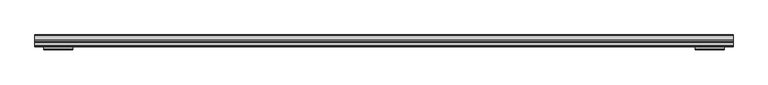
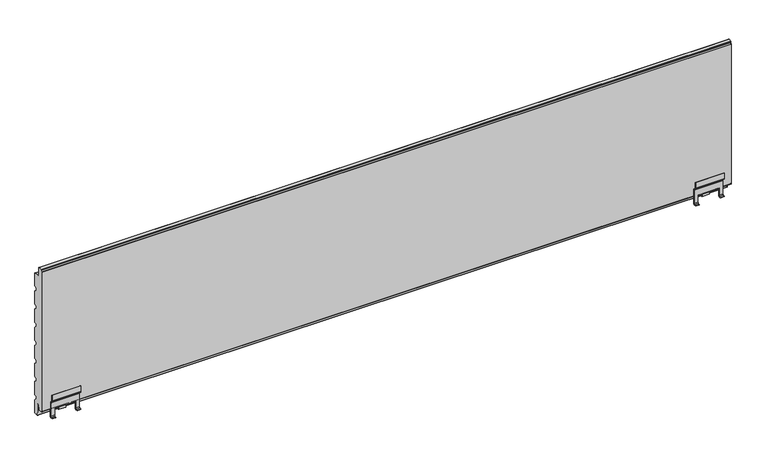
"""IFC4 building model written with IfcOpenShell, lengths in millimetres: plate geometry."""

from ifc_helpers import new_model, si_unit, point, frame, frame_2d, origin, place, context, project, spatial, polyline, circle_curve, trimmed, segment, composite_curve, outline, extrude, source, transform, mapped, element, save
from ifc_brep_helpers import plane_surface, cylinder_surface, revolved_surface, advanced_brep


def plate_e4cdf02b(model_context):
    return source(origin(), model_context, "Body", "SolidModel", [
        advanced_brep(
        [(877.0, 133.5, 63.0774925), (877.0, 132.0, 63.0774925), (877.0, 132.0, 48.0759196), (877.0, 133.0251263, 45.6010459), (877.0, 137.9142136, 40.7119586), (877.0, 138.5, 39.2977451), (877.0, 138.5, 1.7962326), (877.0, 136.5, -0.2037674), (877.0, 132.0000052, -0.2037674), (877.0, 132.0000052, -1.7037674), (877.0, 136.5, -1.7037674), (877.0, 140.0, 1.7962326), (877.0, 140.0, 39.2977451), (877.0, 138.9748737, 41.7726188), (877.0, 134.0857864, 46.6617061), (877.0, 133.5, 48.0759196), (801.9999948, 133.5, 63.0774925), (801.9999948, 133.5, 48.0759196), (801.9999948, 134.0857864, 46.6617061), (801.9999948, 138.9748737, 41.7726188), (801.9999948, 140.0, 39.2977451), (801.9999948, 140.0, 1.7962326), (801.9999948, 136.5, -1.7037674), (801.9999948, 132.0000052, -1.7037674), (801.9999948, 132.0000052, -0.2037674), (801.9999948, 136.5, -0.2037674), (801.9999948, 138.5, 1.7962326), (801.9999948, 138.5, 39.2977451), (801.9999948, 137.9142136, 40.7119586), (801.9999948, 133.0251263, 45.6010459), (801.9999948, 132.0, 48.0759196), (801.9999948, 132.0, 63.0774925), (811.9999948, 138.5, 1.7962326), (811.9999948, 138.5, 21.4957532), (813.4999948, 138.5, 21.4957532), (865.4999948, 138.5, 21.5007983), (866.9999948, 138.5, 21.4957532), (866.9999948, 138.5, 1.7962326), (866.9999948, 136.5, -0.2037674), (811.9999948, 136.5, -0.2037674), (866.9999948, 132.0000052, -0.2037674), (811.9999948, 132.0000052, -0.2037674), (866.9999948, 132.0000052, -1.7037674), (811.9999948, 132.0000052, -1.7037674), (866.9999948, 136.5, -1.7037674), (811.9999948, 136.5, -1.7037674), (866.9999948, 140.0, 1.7962326), (811.9999948, 140.0, 1.7962326), (866.9999948, 140.0, 21.4957532), (865.4999948, 140.0, 21.4957532), (813.4999948, 140.0, 21.5007983), (811.9999948, 140.0, 21.4957532), (865.4999948, 142.0, 19.5007983), (865.4999948, 139.9736841, 18.6470212), (865.4999948, 142.0, 18.0007983), (865.4999948, 150.5069508, 18.0007983), (865.4999948, 152.2536916, 18.4678301), (865.4999948, 153.9952504, 21.1957532), (865.4999948, 155.2506896, 31.8246532), (865.4999948, 153.7617614, 32.0007983), (865.4999948, 152.4938373, 21.2661979), (865.4999948, 150.5076443, 19.5007983), (813.4999948, 142.0, 19.5007983), (813.4999948, 150.5076443, 19.5007983), (813.4999948, 152.4938373, 21.2661979), (813.4999948, 153.7617614, 32.0007983), (813.4999948, 155.2506896, 31.8246532), (813.4999948, 153.9952504, 21.1957532), (813.4999948, 152.2536916, 18.4678301), (813.4999948, 150.5069508, 18.0007983), (813.4999948, 147.9501547, 18.0007983), (813.4999948, 142.0, 18.0007983), (813.4999948, 140.0, 18.628517), (829.9999948, 150.5069508, 18.0007983), (848.9999948, 150.5069508, 18.0007983), (829.9999948, 152.2536916, 18.4678301), (848.9999948, 152.2536916, 18.4678301), (848.9999948, 151.2000052, 3.0007983), (829.9999948, 151.2000052, 3.0007983), (848.9999948, 152.6965553, 2.8991234), (829.9999948, 152.6965553, 2.8991234), (848.9999948, 153.9952504, 21.1957532), (829.9999948, 153.9952504, 21.1957532), (829.9999948, 155.2506896, 31.8246532), (848.9999948, 155.2506896, 31.8246532)],
        [
            (0, 1),
            (1, 2),
            (2, 3, circle_curve(frame((877.0, 135.5, 48.0759196), z_axis=(1.0, 0.0, 0.0), x_axis=(0.0, 1.0, 0.0)), 3.5)),
            (3, 4),
            (4, 5, circle_curve(frame((877.0, 136.5, 39.2977451), z_axis=(-1.0, 0.0, 0.0), x_axis=(0.0, 1.0, 0.0)), 2.0)),
            (5, 6),
            (6, 7, circle_curve(frame((877.0, 136.5, 1.7962326), z_axis=(-1.0, 0.0, 0.0), x_axis=(0.0, 1.0, 0.0)), 2.0)),
            (7, 8),
            (8, 9),
            (9, 10),
            (10, 11, circle_curve(frame((877.0, 136.5, 1.7962326), z_axis=(1.0, 0.0, 0.0), x_axis=(0.0, 1.0, 0.0)), 3.5)),
            (11, 12),
            (12, 13, circle_curve(frame((877.0, 136.5, 39.2977451), z_axis=(1.0, 0.0, 0.0), x_axis=(0.0, 1.0, 0.0)), 3.5)),
            (13, 14),
            (14, 15, circle_curve(frame((877.0, 135.5, 48.0759196), z_axis=(-1.0, 0.0, 0.0), x_axis=(0.0, 1.0, 0.0)), 2.0)),
            (15, 0),
            (16, 17),
            (17, 18, circle_curve(frame((801.9999948, 135.5, 48.0759196), z_axis=(1.0, 0.0, 0.0), x_axis=(0.0, 1.0, 0.0)), 2.0)),
            (18, 19),
            (19, 20, circle_curve(frame((801.9999948, 136.5, 39.2977451), z_axis=(-1.0, 0.0, 0.0), x_axis=(0.0, 1.0, 0.0)), 3.5)),
            (20, 21),
            (21, 22, circle_curve(frame((801.9999948, 136.5, 1.7962326), z_axis=(-1.0, 0.0, 0.0), x_axis=(0.0, 1.0, 0.0)), 3.5)),
            (22, 23),
            (23, 24),
            (24, 25),
            (25, 26, circle_curve(frame((801.9999948, 136.5, 1.7962326), z_axis=(1.0, 0.0, 0.0), x_axis=(0.0, 1.0, 0.0)), 2.0)),
            (26, 27),
            (27, 28, circle_curve(frame((801.9999948, 136.5, 39.2977451), z_axis=(1.0, 0.0, 0.0), x_axis=(0.0, 1.0, 0.0)), 2.0)),
            (28, 29),
            (29, 30, circle_curve(frame((801.9999948, 135.5, 48.0759196), z_axis=(-1.0, 0.0, 0.0), x_axis=(0.0, 1.0, 0.0)), 3.5)),
            (30, 31),
            (31, 16),
            (0, 16),
            (31, 1),
            (30, 2),
            (29, 3),
            (28, 4),
            (27, 5),
            (26, 32),
            (32, 33),
            (33, 34),
            (34, 35),
            (35, 36),
            (36, 37),
            (37, 6),
            (37, 38, circle_curve(frame((866.9999948, 136.5, 1.7962326), z_axis=(-1.0, 0.0, 0.0), x_axis=(0.0, 1.0, 0.0)), 2.0)),
            (38, 7),
            (25, 39),
            (39, 32, circle_curve(frame((811.9999948, 136.5, 1.7962326), z_axis=(1.0, 0.0, 0.0), x_axis=(0.0, 1.0, 0.0)), 2.0)),
            (38, 40),
            (40, 8),
            (24, 41),
            (41, 39),
            (40, 42),
            (42, 9),
            (23, 43),
            (43, 41),
            (42, 44),
            (44, 10),
            (22, 45),
            (45, 43),
            (44, 46, circle_curve(frame((866.9999948, 136.5, 1.7962326), z_axis=(1.0, 0.0, 0.0), x_axis=(0.0, 1.0, 0.0)), 3.5)),
            (46, 11),
            (21, 47),
            (47, 45, circle_curve(frame((811.9999948, 136.5, 1.7962326), z_axis=(-1.0, 0.0, 0.0), x_axis=(0.0, 1.0, 0.0)), 3.5)),
            (46, 48),
            (48, 49),
            (49, 50),
            (50, 51),
            (51, 47),
            (20, 12),
            (19, 13),
            (18, 14),
            (17, 15),
            (36, 48),
            (51, 33),
            (35, 49),
            (50, 34),
            (52, 49, circle_curve(frame((865.4999948, 142.0, 21.5007983), z_axis=(-1.0, 0.0, 0.0), x_axis=(0.0, 1.0, 0.0)), 2.0)),
            (35, 53, circle_curve(frame((865.4999948, 142.0, 21.5007983), z_axis=(1.0, 0.0, 0.0), x_axis=(0.0, 1.0, 0.0)), 3.5)),
            (53, 54, circle_curve(frame((865.4999948, 142.0, 21.5007983), z_axis=(1.0, 0.0, 0.0), x_axis=(0.0, 1.0, 0.0)), 3.5)),
            (54, 55),
            (55, 56, circle_curve(frame((865.4999948, 150.5069508, 21.5007983), z_axis=(1.0, 0.0, 0.0), x_axis=(0.0, 1.0, 0.0)), 3.5)),
            (56, 57, circle_curve(frame((865.4999948, 150.502195, 21.5059032), z_axis=(1.0, 0.0, 0.0), x_axis=(0.0, 1.0, 0.0)), 3.5067975)),
            (57, 58),
            (58, 59),
            (59, 60),
            (60, 61, circle_curve(frame((865.4999948, 150.5076443, 21.5007983), z_axis=(-1.0, 0.0, 0.0), x_axis=(0.0, 1.0, 0.0)), 2.0)),
            (61, 52),
            (62, 63),
            (63, 64, circle_curve(frame((813.4999948, 150.5076443, 21.5007983), z_axis=(1.0, 0.0, 0.0), x_axis=(0.0, 1.0, 0.0)), 2.0)),
            (64, 65),
            (65, 66),
            (66, 67),
            (67, 68, circle_curve(frame((813.4999948, 150.502195, 21.5059032), z_axis=(-1.0, 0.0, 0.0), x_axis=(0.0, 1.0, 0.0)), 3.5067975)),
            (68, 69, circle_curve(frame((813.4999948, 150.5069508, 21.5007983), z_axis=(-1.0, 0.0, 0.0), x_axis=(0.0, 1.0, 0.0)), 3.5)),
            (69, 70),
            (70, 71),
            (71, 72, circle_curve(frame((813.4999948, 142.0, 21.5007983), z_axis=(-1.0, 0.0, 0.0), x_axis=(0.0, 1.0, 0.0)), 3.5)),
            (72, 34, circle_curve(frame((813.4999948, 142.0, 21.5007983), z_axis=(-1.0, 0.0, 0.0), x_axis=(0.0, 1.0, 0.0)), 3.5)),
            (50, 62, circle_curve(frame((813.4999948, 142.0, 21.5007983), z_axis=(1.0, 0.0, 0.0), x_axis=(0.0, 1.0, 0.0)), 2.0)),
            (52, 62),
            (72, 53),
            (71, 54),
            (69, 73),
            (73, 74),
            (74, 55),
            (68, 75),
            (75, 76),
            (76, 56),
            (77, 76),
            (75, 78),
            (78, 77),
            (79, 77),
            (78, 80),
            (80, 79),
            (81, 79),
            (80, 82),
            (82, 81),
            (57, 81),
            (82, 67),
            (66, 83),
            (83, 84),
            (84, 58),
            (65, 59),
            (64, 60),
            (63, 61),
            (81, 76, circle_curve(frame((848.9999948, 150.502195, 21.5059032), z_axis=(-1.0, 0.0, 0.0), x_axis=(0.0, 1.0, 0.0)), 3.5067975)),
            (75, 82, circle_curve(frame((829.9999948, 150.502195, 21.5059032), z_axis=(1.0, 0.0, 0.0), x_axis=(0.0, 1.0, 0.0)), 3.5067975)),
        ],
        [
            plane_surface(frame((877.0, 132.0, 63.7916669), z_axis=(1.0, 0.0, 0.0), x_axis=(0.0, 1.0, 0.0))),
            plane_surface(frame((801.9999948, 132.0, 63.7916669), z_axis=(-1.0, 0.0, 0.0), x_axis=(0.0, 1.0, 0.0))),
            plane_surface(frame((877.0, 133.5, 63.0774925), z_axis=(0.0, 0.0, 1.0), x_axis=(-1.0, 0.0, 0.0))),
            plane_surface(frame((877.0, 132.0, 63.0774925), z_axis=(0.0, -1.0, 0.0), x_axis=(-1.0, 0.0, 0.0))),
            cylinder_surface(frame((877.0, 135.5, 48.0759196), z_axis=(1.0, 0.0, 0.0), x_axis=(0.0, 1.0, 0.0)), 3.5),
            plane_surface(frame((877.0, 133.0251263, 45.6010459), z_axis=(0.0, -0.7071067811823375, -0.7071067811907575), x_axis=(-1.0, 0.0, 0.0))),
            revolved_surface(polyline([(801.9999948, 138.5, 39.2977451), (877.0, 138.5, 39.2977451)]), (877.0, 136.5, 39.2977451), (-1.0, 0.0, 0.0)),
            plane_surface(frame((877.0, 138.5, 39.2977451), z_axis=(0.0, -1.0, 0.0), x_axis=(-1.0, 0.0, 0.0))),
            revolved_surface(polyline([(866.9999948, 138.5, 1.7962326), (877.0, 138.5, 1.7962326)]), (877.0, 136.5, 1.7962326), (-1.0, 0.0, 0.0)),
            revolved_surface(polyline([(801.9999948, 138.5, 1.7962326), (811.9999948, 138.5, 1.7962326)]), (877.0, 136.5, 1.7962326), (-1.0, 0.0, 0.0)),
            plane_surface(frame((877.0, 136.5, -0.2037674), z_axis=(0.0, 0.0, 1.0), x_axis=(-1.0, 0.0, 0.0))),
            plane_surface(frame((877.0, 132.0000052, -0.2037674), z_axis=(0.0, -1.0, 0.0), x_axis=(-1.0, 0.0, 0.0))),
            plane_surface(frame((877.0, 132.0000052, -1.7037674), z_axis=(0.0, 0.0, -1.0), x_axis=(-1.0, 0.0, 0.0))),
            cylinder_surface(frame((877.0, 136.5, 1.7962326), z_axis=(1.0, 0.0, 0.0), x_axis=(0.0, 1.0, 0.0)), 3.5),
            plane_surface(frame((877.0, 140.0, 1.7962326), z_axis=(0.0, 1.0, 0.0), x_axis=(-1.0, 0.0, 0.0))),
            cylinder_surface(frame((877.0, 136.5, 39.2977451), z_axis=(1.0, 0.0, 0.0), x_axis=(0.0, 1.0, 0.0)), 3.5),
            plane_surface(frame((877.0, 138.9748737, 41.7726188), z_axis=(0.0, 0.707106781190757, 0.707106781182338), x_axis=(-1.0, 0.0, 0.0))),
            revolved_surface(polyline([(801.9999948, 137.5, 48.0759196), (877.0, 137.5, 48.0759196)]), (877.0, 135.5, 48.0759196), (-1.0, 0.0, 0.0)),
            plane_surface(frame((877.0, 133.5, 48.0759196), z_axis=(0.0, 1.0, 0.0), x_axis=(-1.0, 0.0, 0.0))),
            plane_surface(frame((866.9999948, 140.0, 21.4957532), z_axis=(-1.0, 0.0, 0.0), x_axis=(0.0, -1.0, 0.0))),
            plane_surface(frame((811.9999948, 140.0, -2.7083331), z_axis=(1.0, 0.0, 0.0), x_axis=(0.0, -1.0, 0.0))),
            plane_surface(frame((811.9999948, 140.0, 21.4957532), z_axis=(0.0, 0.0, -1.0), x_axis=(0.0, -1.0, 0.0))),
            plane_surface(frame((865.4999948, 132.0, 32.4962326), z_axis=(1.0, 0.0, 0.0), x_axis=(0.0, 1.0, 0.0))),
            plane_surface(frame((813.4999948, 132.0, 32.4962326), z_axis=(-1.0, 0.0, 0.0), x_axis=(0.0, 1.0, 0.0))),
            revolved_surface(polyline([(813.4999948, 144.0, 21.5007983), (865.4999948, 144.0, 21.5007983)]), (865.4999948, 142.0, 21.5007983), (-1.0, 0.0, 0.0)),
            cylinder_surface(frame((865.4999948, 142.0, 21.5007983), z_axis=(1.0, 0.0, 0.0), x_axis=(0.0, 1.0, 0.0)), 3.5),
            plane_surface(frame((865.4999948, 142.0, 18.0007983), z_axis=(0.0, 0.0, -1.0), x_axis=(-1.0, 0.0, 0.0))),
            cylinder_surface(frame((865.4999948, 150.5069508, 21.5007983), z_axis=(1.0, 0.0, 0.0), x_axis=(0.0, 1.0, 0.0)), 3.5),
            plane_surface(frame((865.4999948, 152.2536916, 18.4678301), z_axis=(0.0, -0.9976875606869263, 0.06796713360566971), x_axis=(-1.0, 0.0, 0.0))),
            plane_surface(frame((865.4999948, 151.2000052, 3.0007983), z_axis=(0.0, -0.06778329456574599, -0.9977000676444867), x_axis=(-1.0, 0.0, 0.0))),
            plane_surface(frame((865.4999948, 152.6965553, 2.8991234), z_axis=(0.0, 0.9974903975436773, -0.07080188421332127), x_axis=(-1.0, 0.0, 0.0))),
            plane_surface(frame((865.4999948, 154.500471, 25.4730922), z_axis=(0.0, 0.9930964999268389, -0.11730022094208546), x_axis=(-1.0, 0.0, 0.0))),
            plane_surface(frame((865.4999948, 155.2506896, 31.8246532), z_axis=(0.0, 0.11748400802588121, 0.9930747745553579), x_axis=(-1.0, 0.0, 0.0))),
            plane_surface(frame((865.4999948, 153.7617614, 32.0007983), z_axis=(0.0, -0.9930964999255651, 0.1173002209528698), x_axis=(-1.0, 0.0, 0.0))),
            revolved_surface(polyline([(813.4999948, 152.5076443, 21.5007983), (865.4999948, 152.5076443, 21.5007983)]), (865.4999948, 150.5076443, 21.5007983), (-1.0, 0.0, 0.0)),
            plane_surface(frame((865.4999948, 150.5076443, 19.5007983), z_axis=(0.0, 0.0, 1.0), x_axis=(-1.0, 0.0, 0.0))),
            plane_surface(frame((848.9999948, 154.0089925, 21.5059032), z_axis=(1.0, 0.0, 0.0), x_axis=(0.0, 0.0, 1.0))),
            cylinder_surface(frame((865.4999948, 150.502195, 21.5059032), z_axis=(1.0, 0.0, 0.0), x_axis=(0.0, 1.0, 0.0)), 3.5067975),
            plane_surface(frame((829.9999948, 154.0089925, 21.5059032), z_axis=(-1.0, 0.0, 0.0), x_axis=(0.0, 0.0, -1.0))),
            cylinder_surface(frame((829.9999948, 150.502195, 21.5059032), z_axis=(1.0, 0.0, 0.0), x_axis=(0.0, 1.0, 0.0)), 3.5067975),
        ],
        [
            (0, [[1, 2, 3, 4, 5, 6, 7, 8, 9, 10, 11, 12, 13, 14, 15, 16]]),
            (1, [[17, 18, 19, 20, 21, 22, 23, 24, 25, 26, 27, 28, 29, 30, 31, 32]]),
            (2, [[-1, 33, -32, 34]]),
            (3, [[-2, -34, -31, 35]]),
            (4, [[-3, -35, -30, 36]]),
            (5, [[-4, -36, -29, 37]]),
            (6, [[-5, -37, -28, 38]]),
            (7, [[-6, -38, -27, 39, 40, 41, 42, 43, 44, 45]]),
            (8, [[-7, -45, 46, 47]]),
            (9, [[-26, 48, 49, -39]]),
            (10, [[-8, -47, 50, 51]]),
            (10, [[-25, 52, 53, -48]]),
            (11, [[-9, -51, 54, 55]]),
            (11, [[-24, 56, 57, -52]]),
            (12, [[-10, -55, 58, 59]]),
            (12, [[-23, 60, 61, -56]]),
            (13, [[-11, -59, 62, 63]]),
            (13, [[-22, 64, 65, -60]]),
            (14, [[-12, -63, 66, 67, 68, 69, 70, -64, -21, 71]]),
            (15, [[-13, -71, -20, 72]]),
            (16, [[-14, -72, -19, 73]]),
            (17, [[-15, -73, -18, 74]]),
            (18, [[-16, -74, -17, -33]]),
            (19, [[75, -66, -62, -58, -54, -50, -46, -44]]),
            (20, [[76, -40, -49, -53, -57, -61, -65, -70]]),
            (21, [[-75, -43, 77, -67]]),
            (21, [[-76, -69, 78, -41]]),
            (22, [[79, -77, 80, 81, 82, 83, 84, 85, 86, 87, 88, 89]]),
            (23, [[90, 91, 92, 93, 94, 95, 96, 97, 98, 99, 100, -78, 101]]),
            (24, [[-79, 102, -101, -68]]),
            (25, [[-80, -42, -100, 103]]),
            (25, [[-81, -103, -99, 104]]),
            (26, [[-82, -104, -98, -97, 105, 106, 107]]),
            (27, [[-83, -107, -106, -105, -96, 108, 109, 110]]),
            (28, [[111, -109, 112, 113]]),
            (29, [[114, -113, 115, 116]]),
            (30, [[117, -116, 118, 119]]),
            (31, [[-85, 120, -119, 121, -94, 122, 123, 124]]),
            (32, [[-86, -124, -123, -122, -93, 125]]),
            (33, [[-87, -125, -92, 126]]),
            (34, [[-88, -126, -91, 127]]),
            (35, [[-89, -127, -90, -102]]),
            (36, [[128, -111, -114, -117]]),
            (37, [[-128, -120, -84, -110]]),
            (38, [[129, -118, -115, -112]]),
            (39, [[-129, -108, -95, -121]]),
        ],
    ),
        advanced_brep(
        [(-877.0, 133.5, 63.0774925), (-877.0, 133.5, 48.0759196), (-877.0, 134.0857864, 46.6617061), (-877.0, 138.9748737, 41.7726188), (-877.0, 140.0, 39.2977451), (-877.0, 140.0, 1.7962326), (-877.0, 136.5, -1.7037674), (-877.0, 132.0000052, -1.7037674), (-877.0, 132.0000052, -0.2037674), (-877.0, 136.5, -0.2037674), (-877.0, 138.5, 1.7962326), (-877.0, 138.5, 39.2977451), (-877.0, 137.9142136, 40.7119586), (-877.0, 133.0251263, 45.6010459), (-877.0, 132.0, 48.0759196), (-877.0, 132.0, 63.0774925), (-801.9999948, 133.5, 63.0774925), (-801.9999948, 132.0, 63.0774925), (-801.9999948, 132.0, 48.0759196), (-801.9999948, 133.0251263, 45.6010459), (-801.9999948, 137.9142136, 40.7119586), (-801.9999948, 138.5, 39.2977451), (-801.9999948, 138.5, 1.7962326), (-801.9999948, 136.5, -0.2037674), (-801.9999948, 132.0000052, -0.2037674), (-801.9999948, 132.0000052, -1.7037674), (-801.9999948, 136.5, -1.7037674), (-801.9999948, 140.0, 1.7962326), (-801.9999948, 140.0, 39.2977451), (-801.9999948, 138.9748737, 41.7726188), (-801.9999948, 134.0857864, 46.6617061), (-801.9999948, 133.5, 48.0759196), (-866.9999948, 138.5, 1.7962326), (-866.9999948, 138.5, 21.4957532), (-865.4999948, 138.5, 21.4957532), (-813.4999948, 138.5, 21.5007983), (-811.9999948, 138.5, 21.4957532), (-811.9999948, 138.5, 1.7962326), (-811.9999948, 136.5, -0.2037674), (-866.9999948, 136.5, -0.2037674), (-811.9999948, 132.0000052, -0.2037674), (-866.9999948, 132.0000052, -0.2037674), (-811.9999948, 132.0000052, -1.7037674), (-866.9999948, 132.0000052, -1.7037674), (-811.9999948, 136.5, -1.7037674), (-866.9999948, 136.5, -1.7037674), (-811.9999948, 140.0, 1.7962326), (-866.9999948, 140.0, 1.7962326), (-811.9999948, 140.0, 21.4957532), (-813.4999948, 140.0, 21.4957532), (-865.4999948, 140.0, 21.5007983), (-866.9999948, 140.0, 21.4957532), (-865.4999948, 142.0, 19.5007983), (-865.4999948, 150.5076443, 19.5007983), (-865.4999948, 152.4938373, 21.2661979), (-865.4999948, 153.7617614, 32.0007983), (-865.4999948, 155.2506896, 31.8246532), (-865.4999948, 153.9952504, 21.1957532), (-865.4999948, 152.2536916, 18.4678301), (-865.4999948, 150.5069508, 18.0007983), (-865.4999948, 142.0, 18.0007983), (-865.4999948, 140.0, 18.628517), (-813.4999948, 142.0, 19.5007983), (-813.4999948, 139.9736841, 18.6470212), (-813.4999948, 142.0, 18.0007983), (-813.4999948, 147.9501547, 18.0007983), (-813.4999948, 150.5069508, 18.0007983), (-813.4999948, 152.2536916, 18.4678301), (-813.4999948, 153.9952504, 21.1957532), (-813.4999948, 155.2506896, 31.8246532), (-813.4999948, 153.7617614, 32.0007983), (-813.4999948, 152.4938373, 21.2661979), (-813.4999948, 150.5076443, 19.5007983), (-848.9999948, 150.5069508, 18.0007983), (-829.9999948, 150.5069508, 18.0007983), (-848.9999948, 152.2536916, 18.4678301), (-829.9999948, 152.2536916, 18.4678301), (-848.9999948, 151.2000052, 3.0007983), (-829.9999948, 151.2000052, 3.0007983), (-848.9999948, 152.6965553, 2.8991234), (-829.9999948, 152.6965553, 2.8991234), (-848.9999948, 153.9952504, 21.1957532), (-829.9999948, 153.9952504, 21.1957532), (-848.9999948, 155.2506896, 31.8246532), (-829.9999948, 155.2506896, 31.8246532)],
        [
            (0, 1),
            (1, 2, circle_curve(frame((-877.0, 135.5, 48.0759196), z_axis=(1.0, 0.0, 0.0), x_axis=(0.0, 1.0, 0.0)), 2.0)),
            (2, 3),
            (3, 4, circle_curve(frame((-877.0, 136.5, 39.2977451), z_axis=(-1.0, 0.0, 0.0), x_axis=(0.0, 1.0, 0.0)), 3.5)),
            (4, 5),
            (5, 6, circle_curve(frame((-877.0, 136.5, 1.7962326), z_axis=(-1.0, 0.0, 0.0), x_axis=(0.0, 1.0, 0.0)), 3.5)),
            (6, 7),
            (7, 8),
            (8, 9),
            (9, 10, circle_curve(frame((-877.0, 136.5, 1.7962326), z_axis=(1.0, 0.0, 0.0), x_axis=(0.0, 1.0, 0.0)), 2.0)),
            (10, 11),
            (11, 12, circle_curve(frame((-877.0, 136.5, 39.2977451), z_axis=(1.0, 0.0, 0.0), x_axis=(0.0, 1.0, 0.0)), 2.0)),
            (12, 13),
            (13, 14, circle_curve(frame((-877.0, 135.5, 48.0759196), z_axis=(-1.0, 0.0, 0.0), x_axis=(0.0, 1.0, 0.0)), 3.5)),
            (14, 15),
            (15, 0),
            (16, 17),
            (17, 18),
            (18, 19, circle_curve(frame((-801.9999948, 135.5, 48.0759196), z_axis=(1.0, 0.0, 0.0), x_axis=(0.0, 1.0, 0.0)), 3.5)),
            (19, 20),
            (20, 21, circle_curve(frame((-801.9999948, 136.5, 39.2977451), z_axis=(-1.0, 0.0, 0.0), x_axis=(0.0, 1.0, 0.0)), 2.0)),
            (21, 22),
            (22, 23, circle_curve(frame((-801.9999948, 136.5, 1.7962326), z_axis=(-1.0, 0.0, 0.0), x_axis=(0.0, 1.0, 0.0)), 2.0)),
            (23, 24),
            (24, 25),
            (25, 26),
            (26, 27, circle_curve(frame((-801.9999948, 136.5, 1.7962326), z_axis=(1.0, 0.0, 0.0), x_axis=(0.0, 1.0, 0.0)), 3.5)),
            (27, 28),
            (28, 29, circle_curve(frame((-801.9999948, 136.5, 39.2977451), z_axis=(1.0, 0.0, 0.0), x_axis=(0.0, 1.0, 0.0)), 3.5)),
            (29, 30),
            (30, 31, circle_curve(frame((-801.9999948, 135.5, 48.0759196), z_axis=(-1.0, 0.0, 0.0), x_axis=(0.0, 1.0, 0.0)), 2.0)),
            (31, 16),
            (15, 17),
            (16, 0),
            (14, 18),
            (13, 19),
            (12, 20),
            (11, 21),
            (10, 32),
            (32, 33),
            (33, 34),
            (34, 35),
            (35, 36),
            (36, 37),
            (37, 22),
            (37, 38, circle_curve(frame((-811.9999948, 136.5, 1.7962326), z_axis=(-1.0, 0.0, 0.0), x_axis=(0.0, 1.0, 0.0)), 2.0)),
            (38, 23),
            (9, 39),
            (39, 32, circle_curve(frame((-866.9999948, 136.5, 1.7962326), z_axis=(1.0, 0.0, 0.0), x_axis=(0.0, 1.0, 0.0)), 2.0)),
            (38, 40),
            (40, 24),
            (8, 41),
            (41, 39),
            (40, 42),
            (42, 25),
            (7, 43),
            (43, 41),
            (42, 44),
            (44, 26),
            (6, 45),
            (45, 43),
            (44, 46, circle_curve(frame((-811.9999948, 136.5, 1.7962326), z_axis=(1.0, 0.0, 0.0), x_axis=(0.0, 1.0, 0.0)), 3.5)),
            (46, 27),
            (5, 47),
            (47, 45, circle_curve(frame((-866.9999948, 136.5, 1.7962326), z_axis=(-1.0, 0.0, 0.0), x_axis=(0.0, 1.0, 0.0)), 3.5)),
            (4, 28),
            (46, 48),
            (48, 49),
            (49, 50),
            (50, 51),
            (51, 47),
            (3, 29),
            (2, 30),
            (1, 31),
            (51, 33),
            (36, 48),
            (35, 49),
            (50, 34),
            (52, 53),
            (53, 54, circle_curve(frame((-865.4999948, 150.5076443, 21.5007983), z_axis=(1.0, 0.0, 0.0), x_axis=(0.0, 1.0, 0.0)), 2.0)),
            (54, 55),
            (55, 56),
            (56, 57),
            (57, 58, circle_curve(frame((-865.4999948, 150.502195, 21.5059032), z_axis=(-1.0, 0.0, 0.0), x_axis=(0.0, 1.0, 0.0)), 3.5067975)),
            (58, 59, circle_curve(frame((-865.4999948, 150.5069508, 21.5007983), z_axis=(-1.0, 0.0, 0.0), x_axis=(0.0, 1.0, 0.0)), 3.5)),
            (59, 60),
            (60, 61, circle_curve(frame((-865.4999948, 142.0, 21.5007983), z_axis=(-1.0, 0.0, 0.0), x_axis=(0.0, 1.0, 0.0)), 3.5)),
            (61, 34, circle_curve(frame((-865.4999948, 142.0, 21.5007983), z_axis=(-1.0, 0.0, 0.0), x_axis=(0.0, 1.0, 0.0)), 3.5)),
            (50, 52, circle_curve(frame((-865.4999948, 142.0, 21.5007983), z_axis=(1.0, 0.0, 0.0), x_axis=(0.0, 1.0, 0.0)), 2.0)),
            (62, 49, circle_curve(frame((-813.4999948, 142.0, 21.5007983), z_axis=(-1.0, 0.0, 0.0), x_axis=(0.0, 1.0, 0.0)), 2.0)),
            (35, 63, circle_curve(frame((-813.4999948, 142.0, 21.5007983), z_axis=(1.0, 0.0, 0.0), x_axis=(0.0, 1.0, 0.0)), 3.5)),
            (63, 64, circle_curve(frame((-813.4999948, 142.0, 21.5007983), z_axis=(1.0, 0.0, 0.0), x_axis=(0.0, 1.0, 0.0)), 3.5)),
            (64, 65),
            (65, 66),
            (66, 67, circle_curve(frame((-813.4999948, 150.5069508, 21.5007983), z_axis=(1.0, 0.0, 0.0), x_axis=(0.0, 1.0, 0.0)), 3.5)),
            (67, 68, circle_curve(frame((-813.4999948, 150.502195, 21.5059032), z_axis=(1.0, 0.0, 0.0), x_axis=(0.0, 1.0, 0.0)), 3.5067975)),
            (68, 69),
            (69, 70),
            (70, 71),
            (71, 72, circle_curve(frame((-813.4999948, 150.5076443, 21.5007983), z_axis=(-1.0, 0.0, 0.0), x_axis=(0.0, 1.0, 0.0)), 2.0)),
            (72, 62),
            (62, 52),
            (61, 63),
            (60, 64),
            (59, 73),
            (73, 74),
            (74, 66),
            (58, 75),
            (75, 76),
            (76, 67),
            (77, 78),
            (78, 76),
            (75, 77),
            (79, 80),
            (80, 78),
            (77, 79),
            (81, 82),
            (82, 80),
            (79, 81),
            (56, 83),
            (83, 84),
            (84, 69),
            (68, 82),
            (81, 57),
            (55, 70),
            (54, 71),
            (53, 72),
            (75, 81, circle_curve(frame((-848.9999948, 150.502195, 21.5059032), z_axis=(1.0, 0.0, 0.0), x_axis=(0.0, 1.0, 0.0)), 3.5067975)),
            (82, 76, circle_curve(frame((-829.9999948, 150.502195, 21.5059032), z_axis=(-1.0, 0.0, 0.0), x_axis=(0.0, 1.0, 0.0)), 3.5067975)),
        ],
        [
            plane_surface(frame((-877.0, 132.0, 63.7916669), z_axis=(-1.0, 0.0, 0.0), x_axis=(0.0, 1.0, 0.0))),
            plane_surface(frame((-801.9999948, 132.0, 63.7916669), z_axis=(1.0, 0.0, 0.0), x_axis=(0.0, 1.0, 0.0))),
            plane_surface(frame((-877.0, 133.5, 63.0774925), z_axis=(0.0, 0.0, 1.0), x_axis=(1.0, 0.0, 0.0))),
            plane_surface(frame((-877.0, 132.0, 63.0774925), z_axis=(0.0, -1.0, 0.0), x_axis=(1.0, 0.0, 0.0))),
            cylinder_surface(frame((-877.0, 135.5, 48.0759196), z_axis=(-1.0, 0.0, 0.0), x_axis=(0.0, 1.0, 0.0)), 3.5),
            plane_surface(frame((-877.0, 133.0251263, 45.6010459), z_axis=(0.0, -0.7071067811823375, -0.7071067811907575), x_axis=(1.0, 0.0, 0.0))),
            revolved_surface(polyline([(-801.9999948, 138.5, 39.2977451), (-877.0, 138.5, 39.2977451)]), (-877.0, 136.5, 39.2977451), (1.0, 0.0, 0.0)),
            plane_surface(frame((-877.0, 138.5, 39.2977451), z_axis=(0.0, -1.0, 0.0), x_axis=(1.0, 0.0, 0.0))),
            revolved_surface(polyline([(-801.9999948, 138.5, 1.7962326), (-811.9999948, 138.5, 1.7962326)]), (-877.0, 136.5, 1.7962326), (1.0, 0.0, 0.0)),
            revolved_surface(polyline([(-866.9999948, 138.5, 1.7962326), (-877.0, 138.5, 1.7962326)]), (-877.0, 136.5, 1.7962326), (1.0, 0.0, 0.0)),
            plane_surface(frame((-877.0, 136.5, -0.2037674), z_axis=(0.0, 0.0, 1.0), x_axis=(1.0, 0.0, 0.0))),
            plane_surface(frame((-877.0, 132.0000052, -0.2037674), z_axis=(0.0, -1.0, 0.0), x_axis=(1.0, 0.0, 0.0))),
            plane_surface(frame((-877.0, 132.0000052, -1.7037674), z_axis=(0.0, 0.0, -1.0), x_axis=(1.0, 0.0, 0.0))),
            cylinder_surface(frame((-877.0, 136.5, 1.7962326), z_axis=(-1.0, 0.0, 0.0), x_axis=(0.0, 1.0, 0.0)), 3.5),
            plane_surface(frame((-877.0, 140.0, 1.7962326), z_axis=(0.0, 1.0, 0.0), x_axis=(1.0, 0.0, 0.0))),
            cylinder_surface(frame((-877.0, 136.5, 39.2977451), z_axis=(-1.0, 0.0, 0.0), x_axis=(0.0, 1.0, 0.0)), 3.5),
            plane_surface(frame((-877.0, 138.9748737, 41.7726188), z_axis=(0.0, 0.707106781190757, 0.707106781182338), x_axis=(1.0, 0.0, 0.0))),
            revolved_surface(polyline([(-801.9999948, 137.5, 48.0759196), (-877.0, 137.5, 48.0759196)]), (-877.0, 135.5, 48.0759196), (1.0, 0.0, 0.0)),
            plane_surface(frame((-877.0, 133.5, 48.0759196), z_axis=(0.0, 1.0, 0.0), x_axis=(1.0, 0.0, 0.0))),
            plane_surface(frame((-866.9999948, 140.0, 21.4957532), z_axis=(1.0, 0.0, 0.0), x_axis=(0.0, -1.0, 0.0))),
            plane_surface(frame((-811.9999948, 140.0, -2.7083331), z_axis=(-1.0, 0.0, 0.0), x_axis=(0.0, -1.0, 0.0))),
            plane_surface(frame((-811.9999948, 140.0, 21.4957532), z_axis=(0.0, 0.0, -1.0), x_axis=(0.0, -1.0, 0.0))),
            plane_surface(frame((-865.4999948, 132.0, 32.4962326), z_axis=(-1.0, 0.0, 0.0), x_axis=(0.0, 1.0, 0.0))),
            plane_surface(frame((-813.4999948, 132.0, 32.4962326), z_axis=(1.0, 0.0, 0.0), x_axis=(0.0, 1.0, 0.0))),
            revolved_surface(polyline([(-813.4999948, 144.0, 21.5007983), (-865.4999948, 144.0, 21.5007983)]), (-865.4999948, 142.0, 21.5007983), (1.0, 0.0, 0.0)),
            cylinder_surface(frame((-865.4999948, 142.0, 21.5007983), z_axis=(-1.0, 0.0, 0.0), x_axis=(0.0, 1.0, 0.0)), 3.5),
            plane_surface(frame((-865.4999948, 142.0, 18.0007983), z_axis=(0.0, 0.0, -1.0), x_axis=(1.0, 0.0, 0.0))),
            cylinder_surface(frame((-865.4999948, 150.5069508, 21.5007983), z_axis=(-1.0, 0.0, 0.0), x_axis=(0.0, 1.0, 0.0)), 3.5),
            plane_surface(frame((-865.4999948, 152.2536916, 18.4678301), z_axis=(0.0, -0.9976875606869263, 0.06796713360566971), x_axis=(1.0, 0.0, 0.0))),
            plane_surface(frame((-865.4999948, 151.2000052, 3.0007983), z_axis=(0.0, -0.06778329456574599, -0.9977000676444867), x_axis=(1.0, 0.0, 0.0))),
            plane_surface(frame((-865.4999948, 152.6965553, 2.8991234), z_axis=(0.0, 0.9974903975436773, -0.07080188421332127), x_axis=(1.0, 0.0, 0.0))),
            plane_surface(frame((-865.4999948, 154.500471, 25.4730922), z_axis=(0.0, 0.9930964999268389, -0.11730022094208546), x_axis=(1.0, 0.0, 0.0))),
            plane_surface(frame((-865.4999948, 155.2506896, 31.8246532), z_axis=(0.0, 0.11748400802588121, 0.9930747745553579), x_axis=(1.0, 0.0, 0.0))),
            plane_surface(frame((-865.4999948, 153.7617614, 32.0007983), z_axis=(0.0, -0.9930964999255651, 0.1173002209528698), x_axis=(1.0, 0.0, 0.0))),
            revolved_surface(polyline([(-813.4999948, 152.5076443, 21.5007983), (-865.4999948, 152.5076443, 21.5007983)]), (-865.4999948, 150.5076443, 21.5007983), (1.0, 0.0, 0.0)),
            plane_surface(frame((-865.4999948, 150.5076443, 19.5007983), z_axis=(0.0, 0.0, 1.0), x_axis=(1.0, 0.0, 0.0))),
            plane_surface(frame((-848.9999948, 154.0089925, 21.5059032), z_axis=(-1.0, 0.0, 0.0), x_axis=(0.0, 0.0, 1.0))),
            cylinder_surface(frame((-865.4999948, 150.502195, 21.5059032), z_axis=(-1.0, 0.0, 0.0), x_axis=(0.0, 1.0, 0.0)), 3.5067975),
            plane_surface(frame((-829.9999948, 154.0089925, 21.5059032), z_axis=(1.0, 0.0, 0.0), x_axis=(0.0, 0.0, -1.0))),
            cylinder_surface(frame((-829.9999948, 150.502195, 21.5059032), z_axis=(-1.0, 0.0, 0.0), x_axis=(0.0, 1.0, 0.0)), 3.5067975),
        ],
        [
            (0, [[1, 2, 3, 4, 5, 6, 7, 8, 9, 10, 11, 12, 13, 14, 15, 16]]),
            (1, [[17, 18, 19, 20, 21, 22, 23, 24, 25, 26, 27, 28, 29, 30, 31, 32]]),
            (2, [[33, -17, 34, -16]]),
            (3, [[35, -18, -33, -15]]),
            (4, [[36, -19, -35, -14]]),
            (5, [[37, -20, -36, -13]]),
            (6, [[38, -21, -37, -12]]),
            (7, [[39, 40, 41, 42, 43, 44, 45, -22, -38, -11]]),
            (8, [[-45, 46, 47, -23]]),
            (9, [[48, 49, -39, -10]]),
            (10, [[-47, 50, 51, -24]]),
            (10, [[52, 53, -48, -9]]),
            (11, [[-51, 54, 55, -25]]),
            (11, [[56, 57, -52, -8]]),
            (12, [[-55, 58, 59, -26]]),
            (12, [[60, 61, -56, -7]]),
            (13, [[-59, 62, 63, -27]]),
            (13, [[64, 65, -60, -6]]),
            (14, [[66, -28, -63, 67, 68, 69, 70, 71, -64, -5]]),
            (15, [[72, -29, -66, -4]]),
            (16, [[73, -30, -72, -3]]),
            (17, [[74, -31, -73, -2]]),
            (18, [[-34, -32, -74, -1]]),
            (19, [[-40, -49, -53, -57, -61, -65, -71, 75]]),
            (20, [[-67, -62, -58, -54, -50, -46, -44, 76]]),
            (21, [[-43, 77, -68, -76]]),
            (21, [[-70, 78, -41, -75]]),
            (22, [[79, 80, 81, 82, 83, 84, 85, 86, 87, 88, -78, 89]]),
            (23, [[90, -77, 91, 92, 93, 94, 95, 96, 97, 98, 99, 100, 101]]),
            (24, [[-69, -90, 102, -89]]),
            (25, [[103, -91, -42, -88]]),
            (25, [[104, -92, -103, -87]]),
            (26, [[105, 106, 107, -94, -93, -104, -86]]),
            (27, [[108, 109, 110, -95, -107, -106, -105, -85]]),
            (28, [[111, 112, -109, 113]]),
            (29, [[114, 115, -111, 116]]),
            (30, [[117, 118, -114, 119]]),
            (31, [[120, 121, 122, -97, 123, -117, 124, -83]]),
            (32, [[125, -98, -122, -121, -120, -82]]),
            (33, [[126, -99, -125, -81]]),
            (34, [[127, -100, -126, -80]]),
            (35, [[-102, -101, -127, -79]]),
            (36, [[-119, -116, -113, 128]]),
            (37, [[-108, -84, -124, -128]]),
            (38, [[-112, -115, -118, 129]]),
            (39, [[-123, -96, -110, -129]]),
        ],
    ),
        extrude(outline(composite_curve([segment(polyline([(149.1833651, 20.0007983), (141.5000599, 20.0007983)]), True, "CONTINUOUS"), segment(trimmed(circle_curve(frame_2d((141.5000599, 21.5008582)), 1.5000599), [point((141.5000599, 20.0007983))], [point((140.0, 21.5008582))], False, "CARTESIAN"), True, "CONTINUOUS"), segment(polyline([(140.0, 21.5008582), (140.0, 406.0)]), True, "CONTINUOUS"), segment(trimmed(circle_curve(frame_2d((142.5, 406.0)), 2.5), [point((140.0, 406.0))], [point((140.1788083, 406.9284767))], False, "CARTESIAN"), True, "CONTINUOUS"), segment(polyline([(140.1788083, 406.9284767), (141.523966, 410.2913711)]), True, "CONTINUOUS"), segment(trimmed(circle_curve(frame_2d((139.2027743, 411.2198478)), 2.5), [point((141.523966, 410.2913711))], [point((141.7027743, 411.2198478))], True, "CARTESIAN"), True, "CONTINUOUS"), segment(polyline([(141.7027743, 411.2198478), (141.7027743, 414.0), (149.5, 414.0)]), True, "CONTINUOUS"), segment(trimmed(circle_curve(frame_2d((149.5, 411.5)), 2.5), [point((149.5, 414.0))], [point((152.0, 411.5))], False, "CARTESIAN"), True, "CONTINUOUS"), segment(polyline([(152.0, 411.5), (152.0, 394.070261)]), True, "CONTINUOUS"), segment(trimmed(circle_curve(frame_2d((157.0, 394.070261)), 5.0), [point((152.0, 394.070261))], [point((156.4561784, 389.0999232))], True, "CARTESIAN"), True, "CONTINUOUS"), segment(polyline([(156.4561784, 389.0999232), (167.7719108, 388.1900705)]), True, "CONTINUOUS"), segment(trimmed(circle_curve(frame_2d((167.5, 385.7049016)), 2.5), [point((167.7719108, 388.1900705))], [point((170.0, 385.7049016))], False, "CARTESIAN"), True, "CONTINUOUS"), segment(polyline([(170.0, 385.7049016), (170.0, 352.0)]), True, "CONTINUOUS"), segment(trimmed(circle_curve(frame_2d((168.0, 352.0)), 2.0), [point((170.0, 352.0))], [point((168.0, 350.0))], False, "CARTESIAN"), True, "CONTINUOUS"), segment(polyline([(168.0, 350.0), (166.0, 350.0)]), True, "CONTINUOUS"), segment(trimmed(circle_curve(frame_2d((166.0, 348.0)), 2.0), [point((166.0, 350.0))], [point((164.0, 348.0))], True, "CARTESIAN"), True, "CONTINUOUS"), segment(polyline([(164.0, 348.0), (164.0, 343.863961)]), True, "CONTINUOUS"), segment(trimmed(circle_curve(frame_2d((166.5, 343.863961)), 2.5), [point((164.0, 343.863961))], [point((164.732233, 342.0961941))], True, "CARTESIAN"), True, "CONTINUOUS"), segment(polyline([(164.732233, 342.0961941), (169.4142136, 337.4142136)]), True, "CONTINUOUS"), segment(trimmed(circle_curve(frame_2d((168.0, 336.0)), 2.0), [point((169.4142136, 337.4142136))], [point((170.0, 336.0))], False, "CARTESIAN"), True, "CONTINUOUS"), segment(polyline([(170.0, 336.0), (170.0, 302.0)]), True, "CONTINUOUS"), segment(trimmed(circle_curve(frame_2d((168.0, 302.0)), 2.0), [point((170.0, 302.0))], [point((168.0, 300.0))], False, "CARTESIAN"), True, "CONTINUOUS"), segment(polyline([(168.0, 300.0), (166.0, 300.0)]), True, "CONTINUOUS"), segment(trimmed(circle_curve(frame_2d((166.0, 298.0)), 2.0), [point((166.0, 300.0))], [point((164.0, 298.0))], True, "CARTESIAN"), True, "CONTINUOUS"), segment(polyline([(164.0, 298.0), (164.0, 293.863961)]), True, "CONTINUOUS"), segment(trimmed(circle_curve(frame_2d((166.5, 293.863961)), 2.5), [point((164.0, 293.863961))], [point((164.732233, 292.0961941))], True, "CARTESIAN"), True, "CONTINUOUS"), segment(polyline([(164.732233, 292.0961941), (169.4142136, 287.4142136)]), True, "CONTINUOUS"), segment(trimmed(circle_curve(frame_2d((168.0, 286.0)), 2.0), [point((169.4142136, 287.4142136))], [point((170.0, 286.0))], False, "CARTESIAN"), True, "CONTINUOUS"), segment(polyline([(170.0, 286.0), (170.0, 252.0)]), True, "CONTINUOUS"), segment(trimmed(circle_curve(frame_2d((168.0, 252.0)), 2.0), [point((170.0, 252.0))], [point((168.0, 250.0))], False, "CARTESIAN"), True, "CONTINUOUS"), segment(polyline([(168.0, 250.0), (166.0, 250.0)]), True, "CONTINUOUS"), segment(trimmed(circle_curve(frame_2d((166.0, 248.0)), 2.0), [point((166.0, 250.0))], [point((164.0, 248.0))], True, "CARTESIAN"), True, "CONTINUOUS"), segment(polyline([(164.0, 248.0), (164.0, 243.863961)]), True, "CONTINUOUS"), segment(trimmed(circle_curve(frame_2d((166.5, 243.863961)), 2.5), [point((164.0, 243.863961))], [point((164.732233, 242.0961941))], True, "CARTESIAN"), True, "CONTINUOUS"), segment(polyline([(164.732233, 242.0961941), (169.4142136, 237.4142136)]), True, "CONTINUOUS"), segment(trimmed(circle_curve(frame_2d((168.0, 236.0)), 2.0), [point((169.4142136, 237.4142136))], [point((170.0, 236.0))], False, "CARTESIAN"), True, "CONTINUOUS"), segment(polyline([(170.0, 236.0), (170.0, 202.0)]), True, "CONTINUOUS"), segment(trimmed(circle_curve(frame_2d((168.0, 202.0)), 2.0), [point((170.0, 202.0))], [point((168.0, 200.0))], False, "CARTESIAN"), True, "CONTINUOUS"), segment(polyline([(168.0, 200.0), (166.0, 200.0)]), True, "CONTINUOUS"), segment(trimmed(circle_curve(frame_2d((166.0, 198.0)), 2.0), [point((166.0, 200.0))], [point((164.0, 198.0))], True, "CARTESIAN"), True, "CONTINUOUS"), segment(polyline([(164.0, 198.0), (164.0, 193.863961)]), True, "CONTINUOUS"), segment(trimmed(circle_curve(frame_2d((166.5, 193.863961)), 2.5), [point((164.0, 193.863961))], [point((164.732233, 192.0961941))], True, "CARTESIAN"), True, "CONTINUOUS"), segment(polyline([(164.732233, 192.0961941), (169.4142136, 187.4142136)]), True, "CONTINUOUS"), segment(trimmed(circle_curve(frame_2d((168.0, 186.0)), 2.0), [point((169.4142136, 187.4142136))], [point((170.0, 186.0))], False, "CARTESIAN"), True, "CONTINUOUS"), segment(polyline([(170.0, 186.0), (170.0, 152.0008582)]), True, "CONTINUOUS"), segment(trimmed(circle_curve(frame_2d((168.0, 152.0008582)), 2.0), [point((170.0, 152.0008582))], [point((168.0, 150.0008582))], False, "CARTESIAN"), True, "CONTINUOUS"), segment(polyline([(168.0, 150.0008582), (166.0, 150.0008582)]), True, "CONTINUOUS"), segment(trimmed(circle_curve(frame_2d((166.0, 148.0008582)), 2.0), [point((166.0, 150.0008582))], [point((164.0, 148.0008582))], True, "CARTESIAN"), True, "CONTINUOUS"), segment(polyline([(164.0, 148.0008582), (164.0, 143.8648192)]), True, "CONTINUOUS"), segment(trimmed(circle_curve(frame_2d((166.5, 143.8648192)), 2.5), [point((164.0, 143.8648192))], [point((164.732233, 142.0970523))], True, "CARTESIAN"), True, "CONTINUOUS"), segment(polyline([(164.732233, 142.0970523), (169.4142136, 137.4150718)]), True, "CONTINUOUS"), segment(trimmed(circle_curve(frame_2d((168.0, 136.0008582)), 2.0), [point((169.4142136, 137.4150718))], [point((170.0, 136.0008582))], False, "CARTESIAN"), True, "CONTINUOUS"), segment(polyline([(170.0, 136.0008582), (170.0, 102.0008582)]), True, "CONTINUOUS"), segment(trimmed(circle_curve(frame_2d((168.0, 102.0008582)), 2.0), [point((170.0, 102.0008582))], [point((168.0, 100.0008582))], False, "CARTESIAN"), True, "CONTINUOUS"), segment(polyline([(168.0, 100.0008582), (166.0, 100.0008582)]), True, "CONTINUOUS"), segment(trimmed(circle_curve(frame_2d((166.0, 98.0008582)), 2.0), [point((166.0, 100.0008582))], [point((164.0, 98.0008582))], True, "CARTESIAN"), True, "CONTINUOUS"), segment(polyline([(164.0, 98.0008582), (164.0, 93.8648192)]), True, "CONTINUOUS"), segment(trimmed(circle_curve(frame_2d((166.5, 93.8648192)), 2.5), [point((164.0, 93.8648192))], [point((164.732233, 92.0970523))], True, "CARTESIAN"), True, "CONTINUOUS"), segment(polyline([(164.732233, 92.0970523), (169.4142136, 87.4150718)]), True, "CONTINUOUS"), segment(trimmed(circle_curve(frame_2d((168.0, 86.0008582)), 2.0), [point((169.4142136, 87.4150718))], [point((170.0, 86.0008582))], False, "CARTESIAN"), True, "CONTINUOUS"), segment(polyline([(170.0, 86.0008582), (170.0, 52.0008582)]), True, "CONTINUOUS"), segment(trimmed(circle_curve(frame_2d((168.0, 52.0008582)), 2.0), [point((170.0, 52.0008582))], [point((168.0, 50.0008582))], False, "CARTESIAN"), True, "CONTINUOUS"), segment(polyline([(168.0, 50.0008582), (166.0, 50.0008582)]), True, "CONTINUOUS"), segment(trimmed(circle_curve(frame_2d((166.0, 48.0008582)), 2.0), [point((166.0, 50.0008582))], [point((164.0, 48.0008582))], True, "CARTESIAN"), True, "CONTINUOUS"), segment(polyline([(164.0, 48.0008582), (164.0, 43.8648192)]), True, "CONTINUOUS"), segment(trimmed(circle_curve(frame_2d((166.5, 43.8648192)), 2.5), [point((164.0, 43.8648192))], [point((164.732233, 42.0970523))], True, "CARTESIAN"), True, "CONTINUOUS"), segment(polyline([(164.732233, 42.0970523), (169.4142136, 37.4150718)]), True, "CONTINUOUS"), segment(trimmed(circle_curve(frame_2d((168.0, 36.0008582)), 2.0), [point((169.4142136, 37.4150718))], [point((170.0, 36.0008582))], False, "CARTESIAN"), True, "CONTINUOUS"), segment(polyline([(170.0, 36.0008582), (170.0, 2.5774704)]), True, "CONTINUOUS"), segment(trimmed(circle_curve(frame_2d((167.5010977, 2.5000998)), 2.5000998), [point((170.0, 2.5774704))], [point((167.5010977, 0.0))], False, "CARTESIAN"), True, "CONTINUOUS"), segment(polyline([(167.5010977, 0.0), (159.5007784, 0.0)]), True, "CONTINUOUS"), segment(trimmed(circle_curve(frame_2d((159.5007784, 1.3125167)), 1.3125167), [point((159.5007784, 0.0))], [point((158.4478474, 0.5289119))], False, "CARTESIAN"), True, "CONTINUOUS"), segment(polyline([(158.4478474, 0.5289119), (157.0006786, 15.0006), (157.0006786, 31.5012574)]), True, "CONTINUOUS"), segment(trimmed(circle_curve(frame_2d((154.5005788, 31.5012574)), 2.5000998), [point((157.0006786, 31.5012574))], [point((152.0841255, 32.1425469))], True, "CARTESIAN"), True, "CONTINUOUS"), segment(polyline([(152.0841255, 32.1425469), (150.6707657, 21.3067895)]), True, "CONTINUOUS"), segment(trimmed(circle_curve(frame_2d((149.1833651, 21.5007983)), 1.5), [point((150.6707657, 21.3067895))], [point((149.1833651, 20.0007983))], False, "CARTESIAN"), True, "CONTINUOUS")], self_intersect=False)), frame((-900.0, 0.0, 0.0), z_axis=(1.0, 0.0, 0.0), x_axis=(0.0, 1.0, 0.0)), (0.0, 0.0, 1.0), 1800.0),
    ])


if __name__ == "__main__":
    model = new_model("IFC4")
    model_context = context("Model", 3, world=origin())
    ifc_project = project(units=[si_unit("LENGTHUNIT", "METRE", prefix="MILLI")], contexts=[model_context])
    site = spatial("IfcSite", under=ifc_project)
    building = spatial("IfcBuilding", under=site)
    placement = place(None, origin())
    plate_shape = plate_e4cdf02b(model_context)
    element("IfcPlate", 1, at=placement, inside=building, context=model_context, shape_type="MappedRepresentation", body=[
        mapped(plate_shape, transform((0.0, 0.0, 0.0), x_axis=(1.0, 0.0, 0.0), y_axis=(0.0, 1.0, 0.0), z_axis=(0.0, 0.0, 1.0))),
    ])
    save(model, "model.ifc")
